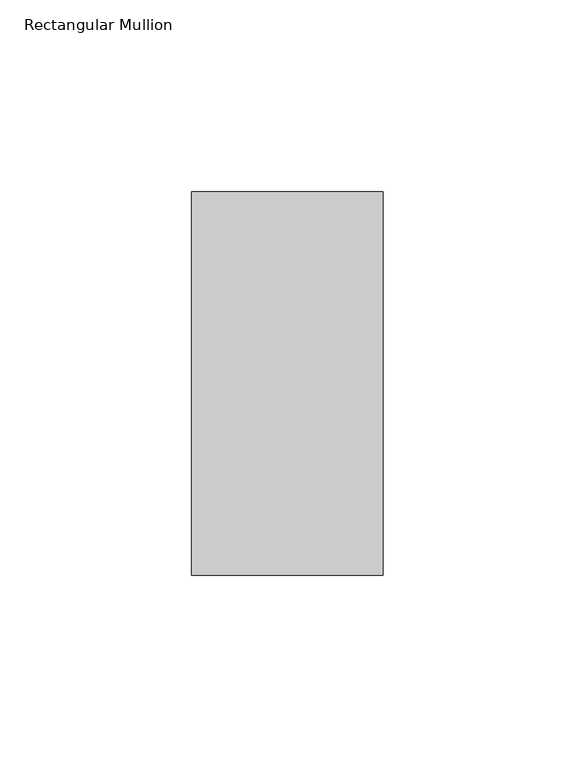
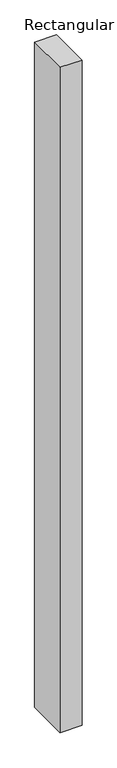
"""IFC4 building model written with IfcOpenShell, lengths in millimetres: member geometry, Rectangular Mullion."""

from ifc_helpers import new_model, si_unit, frame, origin, place, context, project, spatial, polyline, outline, extrude, source, transform, mapped, element, save


def rectangular_mullion_99f32254(model_context):
    return source(origin(), model_context, "Body", "SweptSolid", [
        extrude(outline(polyline([(0.0, 31.0), (0.0, -69.0), (-50.0, -69.0), (-50.0, 31.0), (0.0, 31.0)])), frame((0.0, 0.0, -1600.0), z_axis=(0.0, 0.0, 1.0), x_axis=(1.0, 0.0, 0.0)), (0.0, 0.0, 1.0), 1600.0),
    ])


if __name__ == "__main__":
    model = new_model("IFC4")
    model_context = context("Model", 3, world=origin())
    ifc_project = project(units=[si_unit("LENGTHUNIT", "METRE", prefix="MILLI")], contexts=[model_context])
    site = spatial("IfcSite", under=ifc_project)
    building = spatial("IfcBuilding", under=site)
    placement = place(None, origin())
    rectangular_mullion_shape = rectangular_mullion_99f32254(model_context)
    element("IfcMember", 1, ObjectType="Rectangular Mullion", at=placement, inside=building, context=model_context, shape_type="MappedRepresentation", body=[
        mapped(rectangular_mullion_shape, transform((0.0, 0.0, 0.0), x_axis=(1.0, 0.0, 0.0), y_axis=(0.0, 1.0, 0.0), z_axis=(0.0, 0.0, 1.0))),
    ])
    save(model, "model.ifc")
